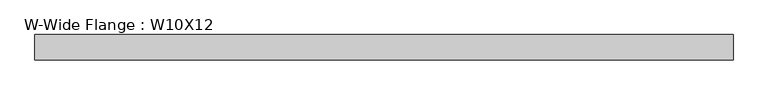
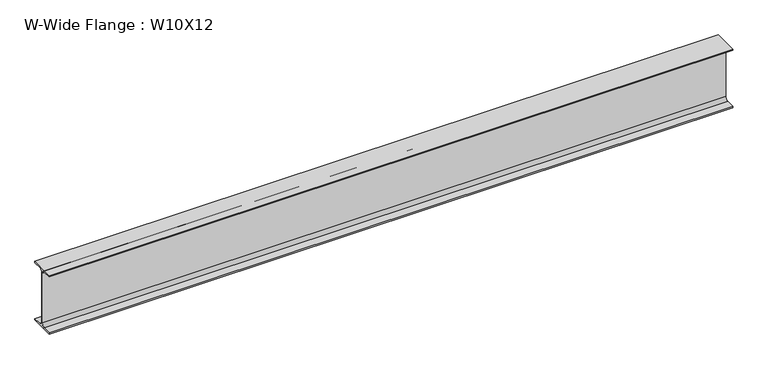
"""IFC4 building model written with IfcOpenShell, lengths in millimetres: beam geometry, W-Wide Flange : W10X12."""

from ifc_helpers import new_model, si_unit, point, frame, frame_2d, origin, place, context, project, spatial, polyline, circle_curve, trimmed, segment, composite_curve, outline, extrude, source, transform, mapped, element, save


def w_wide_flange_w10x12_34c6c472(model_context):
    return source(origin(), model_context, "Body", "SweptSolid", [
        extrude(outline(composite_curve([segment(polyline([(50.3039062, -120.0050781), (50.3039062, -125.3628906), (-50.3039063, -125.3628906), (-50.3039063, -120.0050781), (-16.1230469, -120.0050781)]), True, "CONTINUOUS"), segment(trimmed(circle_curve(frame_2d((-16.1230469, -106.3128906)), 13.6921875), [point((-16.1230469, -120.0050781))], [point((-2.4308594, -106.3128906))], True, "CARTESIAN"), True, "CONTINUOUS"), segment(polyline([(-2.4308594, -106.3128906), (-2.4308594, 106.3128906)]), True, "CONTINUOUS"), segment(trimmed(circle_curve(frame_2d((-16.1230469, 106.3128906)), 13.6921875), [point((-2.4308594, 106.3128906))], [point((-16.1230469, 120.0050781))], True, "CARTESIAN"), True, "CONTINUOUS"), segment(polyline([(-16.1230469, 120.0050781), (-50.3039063, 120.0050781), (-50.3039063, 125.3628906), (50.3039062, 125.3628906), (50.3039062, 120.0050781), (16.1230469, 120.0050781)]), True, "CONTINUOUS"), segment(trimmed(circle_curve(frame_2d((16.1230469, 106.3128906)), 13.6921875), [point((16.1230469, 120.0050781))], [point((2.4308594, 106.3128906))], True, "CARTESIAN"), True, "CONTINUOUS"), segment(polyline([(2.4308594, 106.3128906), (2.4308594, -106.3128906)]), True, "CONTINUOUS"), segment(trimmed(circle_curve(frame_2d((16.1230469, -106.3128906)), 13.6921875), [point((2.4308594, -106.3128906))], [point((16.1230469, -120.0050781))], True, "CARTESIAN"), True, "CONTINUOUS"), segment(polyline([(16.1230469, -120.0050781), (50.3039062, -120.0050781)]), True, "CONTINUOUS")], self_intersect=False)), frame((-1377.95, 0.0, 0.0), z_axis=(1.0, 0.0, 0.0), x_axis=(0.0, 1.0, 0.0)), (0.0, 0.0, 1.0), 2774.95),
    ])


if __name__ == "__main__":
    model = new_model("IFC4")
    model_context = context("Model", 3, world=origin())
    ifc_project = project(units=[si_unit("LENGTHUNIT", "METRE", prefix="MILLI")], contexts=[model_context])
    site = spatial("IfcSite", under=ifc_project)
    building = spatial("IfcBuilding", under=site)
    placement = place(None, origin())
    w_wide_flange_w10x12_shape = w_wide_flange_w10x12_34c6c472(model_context)
    element("IfcBeam", 1, ObjectType="W-Wide Flange : W10X12", at=placement, inside=building, context=model_context, shape_type="MappedRepresentation", body=[
        mapped(w_wide_flange_w10x12_shape, transform((0.0, 0.0, 0.0), x_axis=(1.0, 0.0, 0.0), y_axis=(0.0, 1.0, 0.0), z_axis=(0.0, 0.0, 1.0))),
    ])
    save(model, "model.ifc")
